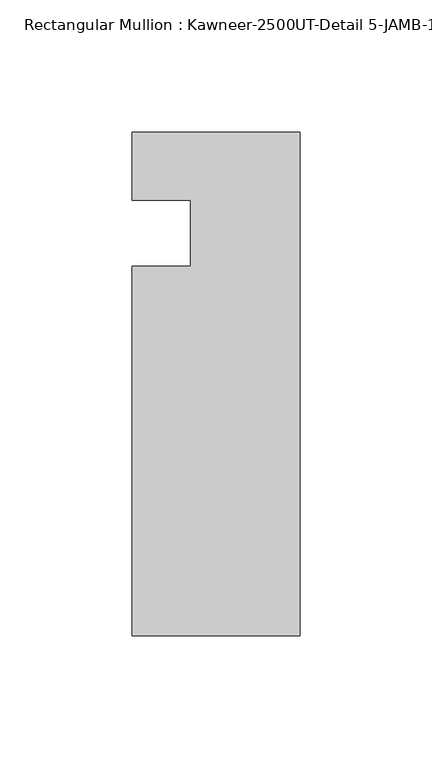
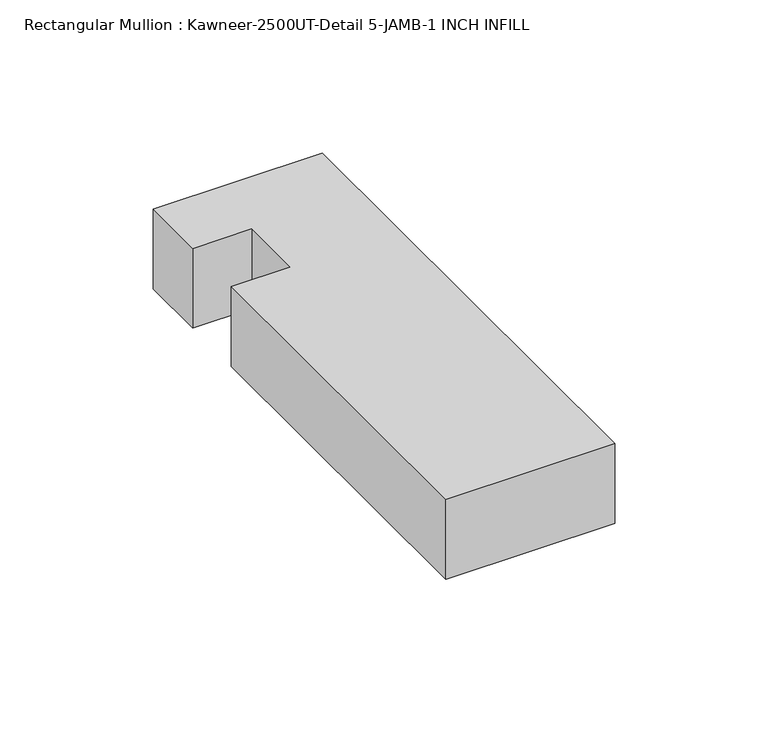
"""IFC4 building model written with IfcOpenShell, lengths in millimetres: member geometry, Rectangular Mullion : Kawneer-2500UT-Detail 5-JAMB-1 INCH INFILL."""

from ifc_helpers import new_model, si_unit, frame, origin, place, context, project, spatial, polyline, outline, extrude, source, transform, mapped, element, save


def rectangular_mullion_kawneer_2500ut_detail_5_jamb_1_inch_c23484e8(model_context):
    return source(origin(), model_context, "Body", "SweptSolid", [
        extrude(outline(polyline([(-82.7668749, -165.1096688), (-82.7668749, -25.4096738), (-60.5419882, -25.4096738), (-60.5419882, -0.3273021), (-82.7668749, -0.3273021), (-82.7668749, 25.3903262), (-19.2668749, 25.3903262), (-19.2668749, -165.1096688), (-82.7668749, -165.1096688)])), frame((0.0, 0.0, -31.75), z_axis=(0.0, 0.0, 1.0), x_axis=(1.0, 0.0, 0.0)), (0.0, 0.0, 1.0), 31.75),
    ])


if __name__ == "__main__":
    model = new_model("IFC4")
    model_context = context("Model", 3, world=origin())
    ifc_project = project(units=[si_unit("LENGTHUNIT", "METRE", prefix="MILLI")], contexts=[model_context])
    site = spatial("IfcSite", under=ifc_project)
    building = spatial("IfcBuilding", under=site)
    placement = place(None, origin())
    rectangular_mullion_kawneer_2500ut_detail_5_jamb_1_inch_shape = rectangular_mullion_kawneer_2500ut_detail_5_jamb_1_inch_c23484e8(model_context)
    element("IfcMember", 1, ObjectType="Rectangular Mullion : Kawneer-2500UT-Detail 5-JAMB-1 INCH INFILL", at=placement, inside=building, context=model_context, shape_type="MappedRepresentation", body=[
        mapped(rectangular_mullion_kawneer_2500ut_detail_5_jamb_1_inch_shape, transform((0.0, 0.0, 0.0), x_axis=(1.0, 0.0, 0.0), y_axis=(0.0, 1.0, 0.0), z_axis=(0.0, 0.0, 1.0))),
    ])
    save(model, "model.ifc")
